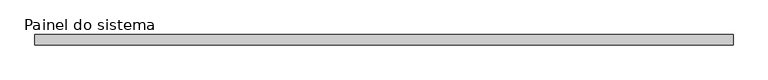
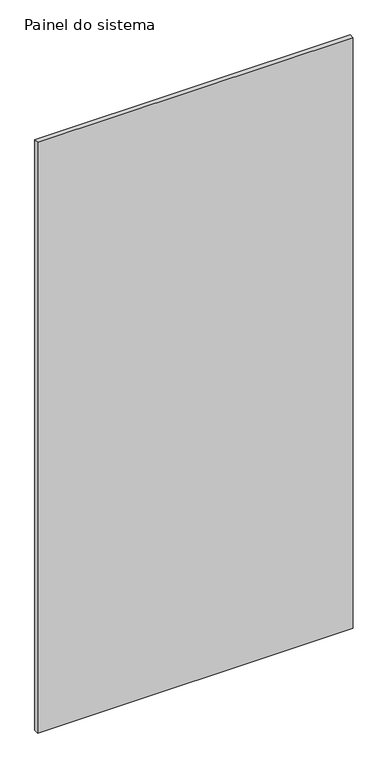
"""IFC4 building model written with IfcOpenShell, lengths in millimetres: plate geometry, Painel do sistema."""

from ifc_helpers import new_model, si_unit, origin, origin_with_axes, place, context, project, spatial, polyline, outline, extrude, source, transform, mapped, element, save


def painel_do_sistema_ddc7f89e(model_context):
    return source(origin(), model_context, "Body", "SweptSolid", [
        extrude(outline(polyline([(846.9443326, 24.5), (-846.9443326, 24.5), (-846.9443326, 49.5), (846.9443326, 49.5), (846.9443326, 24.5)])), origin_with_axes(), (0.0, 0.0, 1.0), 3350.0),
    ])


if __name__ == "__main__":
    model = new_model("IFC4")
    model_context = context("Model", 3, world=origin())
    ifc_project = project(units=[si_unit("LENGTHUNIT", "METRE", prefix="MILLI")], contexts=[model_context])
    site = spatial("IfcSite", under=ifc_project)
    building = spatial("IfcBuilding", under=site)
    placement = place(None, origin())
    painel_do_sistema_shape = painel_do_sistema_ddc7f89e(model_context)
    element("IfcPlate", 1, ObjectType="Painel do sistema", at=placement, inside=building, context=model_context, shape_type="MappedRepresentation", body=[
        mapped(painel_do_sistema_shape, transform((0.0, 0.0, 0.0), x_axis=(1.0, 0.0, 0.0), y_axis=(0.0, 1.0, 0.0), z_axis=(0.0, 0.0, 1.0))),
    ])
    save(model, "model.ifc")
